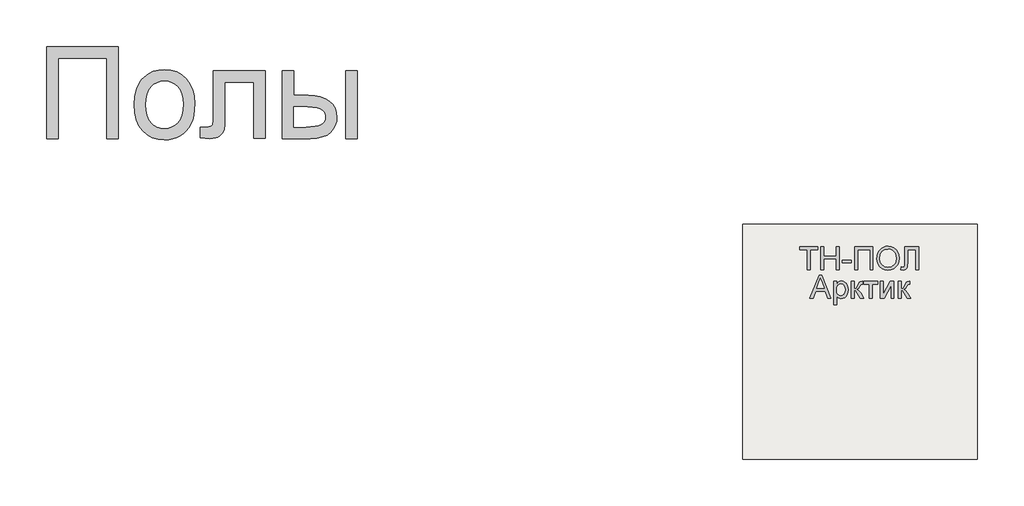
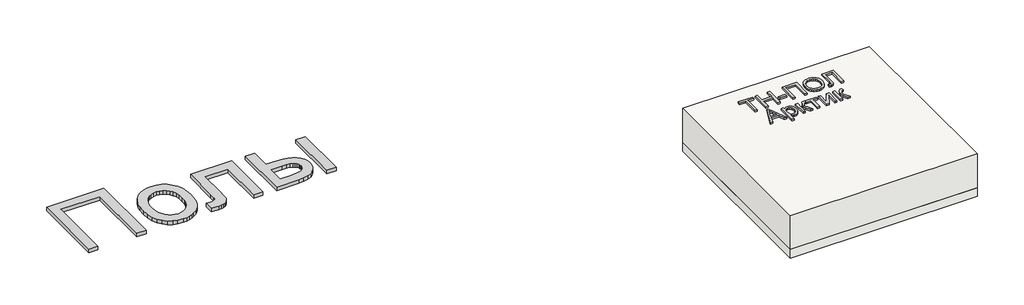
# One storey: 2 proxies, 2 slabs.
"""IFC4 building model written with IfcOpenShell, lengths in millimetres."""

from ifc_helpers import new_model, si_unit, frame, origin, origin_with_axes, place, context, project, spatial, polyline, outline, extrude, element, save

model = new_model("IFC4")

# Units and contexts
model_context = context("Model", 3, world=origin())
ifc_project = project(units=[si_unit("LENGTHUNIT", "METRE", prefix="MILLI")], contexts=[model_context])

# Site, building, storey
site = spatial("IfcSite", under=ifc_project)
building = spatial("IfcBuilding", under=site)
storey = spatial("IfcBuildingStorey", under=building, Elevation=0.0)

# Proxies
placement = place(None, origin())
element("IfcBuildingElementProxy", 1, Name="Generic Models", at=placement, inside=storey, context=model_context, shape_type="SweptSolid", body=[
    extrude(outline(polyline([(-2221.4493901, -14787.7817103), (-1609.328178, -14787.7817103), (-1609.328178, -15571.2968619), (-1707.2675719, -15571.2968619), (-1707.2675719, -14885.7211043), (-2123.5099961, -14885.7211043), (-2123.5099961, -15571.2968619), (-2221.4493901, -15571.2968619), (-2221.4493901, -14787.7817103)])), origin_with_axes(), (0.0, 0.0, 1.0), 40.0),
    extrude(outline(polyline([(-1474.6615113, -15283.5998922), (-1469.3652282, -15209.0813079), (-1462.7448742, -15175.6866287), (-1453.4763787, -15144.8683581), (-1441.5597416, -15116.6264961), (-1426.994963, -15090.9610427), (-1409.7820428, -15067.871998), (-1389.920981, -15047.3593619), (-1352.5959336, -15019.491109), (-1311.3973068, -14999.5852141), (-1266.3251003, -14987.6416772), (-1217.3793143, -14983.6604982), (-1163.3464663, -14988.5084504), (-1114.4903465, -15003.0523069), (-1070.810955, -15027.2920678), (-1032.3082916, -15061.2277331), (-1000.8832798, -15103.7115754), (-978.4368427, -15153.5958675), (-964.9689805, -15210.8806095), (-960.4796931, -15275.5658013), (-962.4643049, -15327.9906355), (-968.4181401, -15374.5094566), (-978.3411988, -15415.1222643), (-992.233481, -15449.8290588), (-1009.921632, -15479.8074561), (-1031.2322973, -15506.2350721), (-1056.1654767, -15529.1119068), (-1084.7211704, -15548.4379603), (-1115.7875175, -15563.7947904), (-1148.2526571, -15574.7639547), (-1182.1165894, -15581.3454532), (-1217.3793143, -15583.5392861), (-1272.2012248, -15578.7092672), (-1321.5116533, -15564.2192103), (-1365.3105998, -15540.0691156), (-1403.5980643, -15506.2589831), (-1434.6883224, -15463.3626763), (-1456.8956496, -15411.9540588), (-1470.2200459, -15352.0331308), (-1474.6615113, -15283.5998922)]), holes=[polyline([(-1376.7221174, -15283.4086043), (-1373.8886657, -15330.9137534), (-1365.3883105, -15372.0466251), (-1351.221052, -15406.8072193), (-1331.3868901, -15435.1955361), (-1307.2607064, -15457.2474419), (-1280.2173825, -15472.9988031), (-1250.2569185, -15482.4496199), (-1217.3793143, -15485.5998922), (-1184.6690871, -15482.4316867), (-1154.828178, -15472.9270702), (-1127.8565871, -15457.0860427), (-1103.7543143, -15434.9086043), (-1083.9201524, -15406.2393335), (-1069.7528939, -15370.9228088), (-1061.2525388, -15328.9590304), (-1058.4190871, -15280.3479982), (-1061.270472, -15234.3492411), (-1069.8246268, -15194.2923638), (-1084.0815515, -15160.1773661), (-1104.0412461, -15132.0042482), (-1128.2331851, -15109.9523424), (-1155.1868427, -15094.2009812), (-1184.9022192, -15084.7501644), (-1217.3793143, -15081.5998922), (-1250.2569185, -15084.7382089), (-1280.2173825, -15094.1531592), (-1307.2607064, -15109.844743), (-1331.3868901, -15131.8129603), (-1351.221052, -15160.1175887), (-1365.3883105, -15194.8184054), (-1373.8886657, -15235.9154106), (-1376.7221174, -15283.4086043)])]), origin_with_axes(), (0.0, 0.0, 1.0), 40.0),
    extrude(outline(polyline([(-801.328178, -14995.9029225), (-360.6009052, -14995.9029225), (-360.6009052, -15570.7229982), (-458.5402992, -15570.7229982), (-458.5402992, -15093.8423164), (-703.388784, -15093.8423164), (-703.388784, -15368.3404225), (-705.038642, -15448.011824), (-709.9882158, -15494.9729982), (-722.350195, -15523.6422691), (-746.2372689, -15548.4379603), (-762.7119374, -15558.4387298), (-782.4863219, -15565.5821365), (-805.5604223, -15569.8681805), (-831.9342386, -15571.2968619), (-911.5099961, -15566.323377), (-911.5099961, -15473.3574679), (-867.7050719, -15473.3574679), (-841.1399677, -15471.8510759), (-823.421928, -15467.3318997), (-812.351142, -15459.5369187), (-805.7277992, -15448.2031119), (-802.4280833, -15420.2989925), (-801.328178, -15362.793074), (-801.328178, -14995.9029225)])), origin_with_axes(), (0.0, 0.0, 1.0), 40.0),
    extrude(outline(polyline([(-213.6918143, -14995.9029225), (-115.7524204, -14995.9029225), (-115.7524204, -15204.0241346), (5.3328069, -15204.0241346), (61.0513793, -15207.0907184), (109.9911876, -15216.2904698), (152.1522316, -15231.6233888), (187.5345114, -15253.0894755), (215.5282969, -15279.9474892), (235.523858, -15311.4561895), (247.5211947, -15347.6155763), (251.5203069, -15388.4256497), (248.1667913, -15424.8361019), (238.1062444, -15458.5087463), (221.3386663, -15489.443583), (197.8640569, -15517.6406119), (167.0248642, -15541.1152212), (128.1635361, -15557.8827994), (81.2800725, -15567.9433462), (26.3744736, -15571.2968619), (-213.6918143, -15571.2968619), (-213.6918143, -14995.9029225)]), holes=[polyline([(-115.7524204, -15473.3574679), (-15.1349961, -15473.3574679), (62.8626364, -15468.2166062), (92.0699044, -15461.790529), (114.7494736, -15452.794021), (131.7382283, -15441.0716606), (143.8730531, -15426.4680266), (151.153948, -15408.983119), (153.5809129, -15388.6169376), (151.7816113, -15372.1542245), (146.3837065, -15356.6240399), (137.3871985, -15342.0263836), (124.7920872, -15328.3612558), (106.0518528, -15316.8122501), (78.6199754, -15308.5629603), (42.4964551, -15303.6133865), (-2.3187083, -15301.9635285), (-115.7524204, -15301.9635285), (-115.7524204, -15473.3574679)])]), origin_with_axes(), (0.0, 0.0, 1.0), 40.0),
    extrude(outline(polyline([(324.9748523, -14995.9029225), (422.9142463, -14995.9029225), (422.9142463, -15571.2968619), (324.9748523, -15571.2968619), (324.9748523, -14995.9029225)])), origin_with_axes(), (0.0, 0.0, 1.0), 40.0),
])
element("IfcBuildingElementProxy", 2, Name="Generic Models", at=placement, inside=storey, context=model_context, shape_type="SweptSolid", body=[
    extrude(outline(polyline([(4256.8186644, -16688.792124), (4256.8186644, -16516.4844317), (4192.2032798, -16516.4844317), (4192.2032798, -16491.8690471), (4346.0494336, -16491.8690471), (4346.0494336, -16516.4844317), (4281.434049, -16516.4844317), (4281.434049, -16688.792124), (4256.8186644, -16688.792124)])), origin_with_axes(), (0.0, 0.0, 1.0), 20.0),
    extrude(outline(polyline([(4373.7417413, -16688.792124), (4373.7417413, -16491.8690471), (4398.3571259, -16491.8690471), (4398.3571259, -16571.8690471), (4502.9725106, -16571.8690471), (4502.9725106, -16491.8690471), (4527.5878952, -16491.8690471), (4527.5878952, -16688.792124), (4502.9725106, -16688.792124), (4502.9725106, -16596.4844317), (4398.3571259, -16596.4844317), (4398.3571259, -16688.792124), (4373.7417413, -16688.792124)])), origin_with_axes(), (0.0, 0.0, 1.0), 20.0),
    extrude(outline(polyline([(4555.2802029, -16630.3305856), (4555.2802029, -16605.7152009), (4632.2032798, -16605.7152009), (4632.2032798, -16630.3305856), (4555.2802029, -16630.3305856)])), origin_with_axes(), (0.0, 0.0, 1.0), 20.0),
    extrude(outline(polyline([(4662.9725106, -16491.8690471), (4816.8186644, -16491.8690471), (4816.8186644, -16688.792124), (4792.2032798, -16688.792124), (4792.2032798, -16516.4844317), (4687.5878952, -16516.4844317), (4687.5878952, -16688.792124), (4662.9725106, -16688.792124), (4662.9725106, -16491.8690471)])), origin_with_axes(), (0.0, 0.0, 1.0), 20.0),
    extrude(outline(polyline([(4850.6648182, -16592.9267394), (4852.3054432, -16569.8287827), (4857.2273182, -16549.3810663), (4865.4304432, -16531.5835904), (4876.9148182, -16516.4363548), (4890.9923423, -16504.3420038), (4906.9749144, -16495.7031817), (4924.8625346, -16490.5198884), (4944.6552029, -16488.792124), (4970.4845298, -16492.0373163), (4993.6455875, -16501.7728932), (5012.8763567, -16517.3137586), (5026.9148182, -16537.9748163), (5035.496549, -16562.7584702), (5038.3571259, -16590.667124), (5035.3463086, -16618.948374), (5026.3138567, -16644.0805856), (5011.7585682, -16664.7777009), (4992.1792413, -16679.7536625), (4969.2165009, -16688.8402009), (4944.5109721, -16691.8690471), (4918.2850106, -16688.5216913), (4894.9917413, -16678.479624), (4875.809049, -16662.6502971), (4861.9148182, -16641.9411625), (4853.4773182, -16618.1130375), (4850.6648182, -16592.9267394)]), holes=[polyline([(4875.2802029, -16593.167124), (4880.2020779, -16623.9724125), (4894.9677029, -16647.4459702), (4917.1612125, -16662.3017394), (4944.3667413, -16667.2536625), (4971.9689048, -16662.2536625), (4994.1984721, -16647.2536625), (5002.7486524, -16636.2049846), (5008.855924, -16623.0589509), (5013.7417413, -16590.4748163), (5011.6503952, -16568.6839509), (5005.3763567, -16549.8498163), (4995.0818856, -16534.4471721), (4980.9292413, -16522.9507779), (4963.855924, -16515.7933259), (4944.7994336, -16513.4075086), (4918.3210682, -16518.0048644), (4895.809049, -16531.7969317), (4886.8276788, -16542.5286024), (4880.4124144, -16556.3341913), (4875.2802029, -16593.167124)])]), origin_with_axes(), (0.0, 0.0, 1.0), 20.0),
    extrude(outline(polyline([(5087.5878952, -16491.8690471), (5207.5878952, -16491.8690471), (5207.5878952, -16688.792124), (5182.9725106, -16688.792124), (5182.9725106, -16516.4844317), (5112.2032798, -16516.4844317), (5112.2032798, -16616.9652009), (5109.3427029, -16661.7969317), (5104.9136163, -16674.4652009), (5097.3475106, -16683.9603932), (5086.9869336, -16689.8918836), (5074.1744336, -16691.8690471), (5053.7417413, -16688.792124), (5056.8186644, -16664.1767394), (5068.5975106, -16667.2536625), (5076.9208279, -16665.6010182), (5082.8523182, -16660.6430856), (5086.4040009, -16649.5553452), (5087.5878952, -16629.5132779), (5087.5878952, -16491.8690471)])), origin_with_axes(), (0.0, 0.0, 1.0), 20.0),
    extrude(outline(polyline([(4280.0398182, -16931.8690471), (4358.6455875, -16734.9459702), (4379.6071259, -16734.9459702), (4458.2128952, -16931.8690471), (4432.2032798, -16931.8690471), (4409.6552029, -16870.3305856), (4328.5494336, -16870.3305856), (4306.0494336, -16931.8690471), (4280.0398182, -16931.8690471)]), holes=[polyline([(4337.5878952, -16845.7152009), (4400.6648182, -16845.7152009), (4382.9244336, -16797.3017394), (4369.1263567, -16759.5613548), (4356.8667413, -16793.0709702), (4337.5878952, -16845.7152009)])]), origin_with_axes(), (0.0, 0.0, 1.0), 20.0),
    extrude(outline(polyline([(4481.434049, -16987.2536625), (4481.434049, -16787.2536625), (4506.0494336, -16787.2536625), (4506.0494336, -16811.3882779), (4523.0686644, -16790.979624), (4533.5494336, -16785.8774606), (4546.0494336, -16784.1767394), (4562.6960682, -16786.5565471), (4577.2513567, -16793.6959702), (4589.1023182, -16805.1623163), (4597.6359721, -16820.5228932), (4602.7922221, -16838.6599125), (4604.5109721, -16858.4555856), (4602.5698663, -16879.5072682), (4596.746549, -16898.3353932), (4587.2273182, -16913.9844317), (4574.1984721, -16925.4988548), (4559.0241932, -16932.5841913), (4543.0686644, -16934.9459702), (4531.7525586, -16933.3654413), (4521.6503952, -16928.6238548), (4506.0494336, -16912.6382779), (4506.0494336, -16987.2536625), (4481.434049, -16987.2536625)]), holes=[polyline([(4506.0494336, -16860.7152009), (4508.7116932, -16882.7825086), (4516.6984721, -16898.2152009), (4528.4833279, -16907.3017394), (4542.5398182, -16910.3305856), (4556.824674, -16907.1935663), (4568.9100106, -16897.7825086), (4577.1491932, -16881.7849125), (4579.8955875, -16858.8882779), (4577.215299, -16836.9411625), (4569.1744336, -16821.292124), (4557.4076067, -16811.917124), (4543.5494336, -16808.792124), (4529.637174, -16812.1154413), (4517.4196259, -16822.0853932), (4508.8919817, -16838.3894798), (4506.0494336, -16860.7152009)])]), origin_with_axes(), (0.0, 0.0, 1.0), 20.0),
    extrude(outline(polyline([(4632.2032798, -16787.2536625), (4656.8186644, -16787.2536625), (4656.8186644, -16848.792124), (4673.309049, -16844.3690471), (4686.8186644, -16818.5998163), (4698.0446259, -16796.3642394), (4707.9484721, -16789.1286625), (4725.9532798, -16787.2536625), (4730.6648182, -16787.2536625), (4730.6648182, -16812.0132779), (4724.0302029, -16811.8690471), (4712.0109721, -16814.4652009), (4703.5494336, -16830.667124), (4693.621549, -16848.1911625), (4679.7032798, -16856.7728932), (4695.2321259, -16866.3522202), (4710.4725106, -16886.5325086), (4736.8186644, -16931.8690471), (4708.8378952, -16931.8690471), (4683.0205875, -16887.4940471), (4670.0398182, -16868.7200086), (4656.8186644, -16864.1767394), (4656.8186644, -16931.8690471), (4632.2032798, -16931.8690471), (4632.2032798, -16787.2536625)])), origin_with_axes(), (0.0, 0.0, 1.0), 20.0),
    extrude(outline(polyline([(4739.8955875, -16787.2536625), (4856.8186644, -16787.2536625), (4856.8186644, -16811.8690471), (4810.6648182, -16811.8690471), (4810.6648182, -16931.8690471), (4786.0494336, -16931.8690471), (4786.0494336, -16811.8690471), (4739.8955875, -16811.8690471), (4739.8955875, -16787.2536625)])), origin_with_axes(), (0.0, 0.0, 1.0), 20.0),
    extrude(outline(polyline([(4878.3571259, -16787.2536625), (4902.9725106, -16787.2536625), (4902.9725106, -16897.542124), (4963.4532798, -16787.2536625), (4995.2802029, -16787.2536625), (4995.2802029, -16931.8690471), (4970.6648182, -16931.8690471), (4970.6648182, -16822.2536625), (4910.5686644, -16931.8690471), (4878.3571259, -16931.8690471), (4878.3571259, -16787.2536625)])), origin_with_axes(), (0.0, 0.0, 1.0), 20.0),
    extrude(outline(polyline([(5032.2032798, -16787.2536625), (5056.8186644, -16787.2536625), (5056.8186644, -16848.792124), (5073.309049, -16844.3690471), (5086.8186644, -16818.5998163), (5098.0446259, -16796.3642394), (5107.9484721, -16789.1286625), (5125.9532798, -16787.2536625), (5130.6648182, -16787.2536625), (5130.6648182, -16812.0132779), (5124.0302029, -16811.8690471), (5112.0109721, -16814.4652009), (5103.5494336, -16830.667124), (5093.621549, -16848.1911625), (5079.7032798, -16856.7728932), (5095.2321259, -16866.3522202), (5110.4725106, -16886.5325086), (5136.8186644, -16931.8690471), (5108.8378952, -16931.8690471), (5083.0205875, -16887.4940471), (5070.0398182, -16868.7200086), (5056.8186644, -16864.1767394), (5056.8186644, -16931.8690471), (5032.2032798, -16931.8690471), (5032.2032798, -16787.2536625)])), origin_with_axes(), (0.0, 0.0, 1.0), 20.0),
])

# Slabs
element("IfcSlab", 3, at=placement, inside=storey, context=model_context, shape_type="SweptSolid", body=[
    extrude(outline(polyline([(5706.3955952, -16302.6148653), (5706.3955952, -18302.6148653), (3706.3955952, -18302.6148653), (3706.3955952, -16302.6148653), (5706.3955952, -16302.6148653)])), frame((0.0, 0.0, -382.0), z_axis=(0.0, 0.0, 1.0), x_axis=(1.0, 0.0, 0.0)), (0.0, 0.0, 1.0), 382.0),
])
element("IfcSlab", 4, at=placement, inside=storey, context=model_context, shape_type="SweptSolid", body=[
    extrude(outline(polyline([(5706.3955952, -16302.6148653), (5706.3955952, -18302.6148653), (3706.3955952, -18302.6148653), (3706.3955952, -16302.6148653), (5706.3955952, -16302.6148653)])), frame((0.0, 0.0, -482.0), z_axis=(0.0, 0.0, 1.0), x_axis=(1.0, 0.0, 0.0)), (0.0, 0.0, 1.0), 100.0),
])

save(model, "model.ifc")
